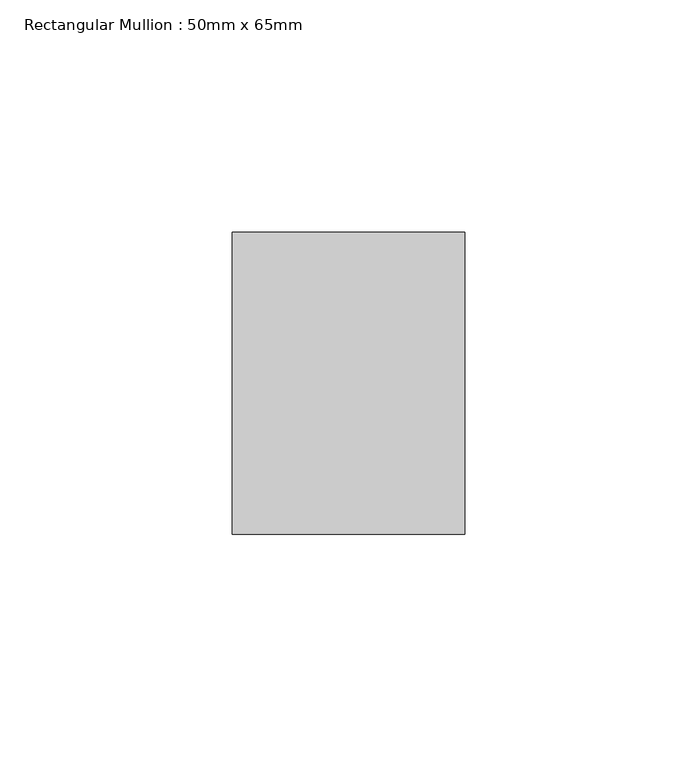
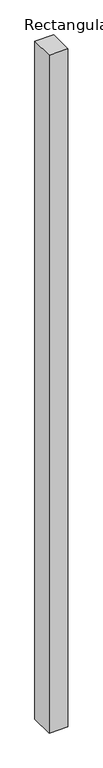
"""IFC4 building model written with IfcOpenShell, lengths in millimetres: member geometry, Rectangular Mullion : 50mm x 65mm."""

from ifc_helpers import new_model, si_unit, frame, origin, place, context, project, spatial, polyline, outline, extrude, source, transform, mapped, element, save


def rectangular_mullion_50mm_x_65mm_3c67978a(model_context):
    return source(origin(), model_context, "Body", "SweptSolid", [
        extrude(outline(polyline([(25.0, 32.5), (25.0, -32.5), (-25.0, -32.5), (-25.0, 32.5), (25.0, 32.5)])), frame((0.0, 0.0, -1897.7010365), z_axis=(0.0, 0.0, 1.0), x_axis=(1.0, 0.0, 0.0)), (0.0, 0.0, 1.0), 1897.7010365),
    ])


if __name__ == "__main__":
    model = new_model("IFC4")
    model_context = context("Model", 3, world=origin())
    ifc_project = project(units=[si_unit("LENGTHUNIT", "METRE", prefix="MILLI")], contexts=[model_context])
    site = spatial("IfcSite", under=ifc_project)
    building = spatial("IfcBuilding", under=site)
    placement = place(None, origin())
    rectangular_mullion_50mm_x_65mm_shape = rectangular_mullion_50mm_x_65mm_3c67978a(model_context)
    element("IfcMember", 1, ObjectType="Rectangular Mullion : 50mm x 65mm", at=placement, inside=building, context=model_context, shape_type="MappedRepresentation", body=[
        mapped(rectangular_mullion_50mm_x_65mm_shape, transform((0.0, 0.0, 0.0), x_axis=(1.0, 0.0, 0.0), y_axis=(0.0, 1.0, 0.0), z_axis=(0.0, 0.0, 1.0))),
    ])
    save(model, "model.ifc")
